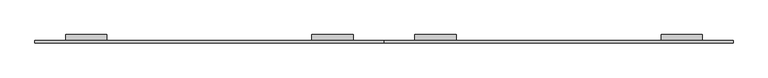
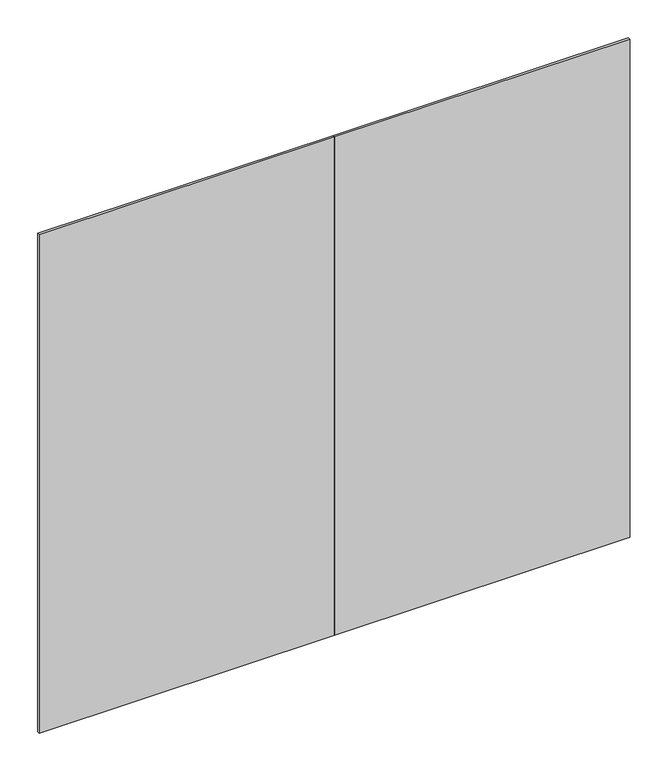
"""IFC4 building model written with IfcOpenShell, lengths in millimetres: furniture geometry."""

from ifc_helpers import new_model, si_unit, frame, origin, place, context, project, spatial, polyline, outline, extrude, source, transform, mapped, element, save


def furniture_23c68902(model_context):
    return source(origin(), model_context, "Body", "SweptSolid", [
        extrude(outline(polyline([(4.7498, 2116.3245525), (24.8177997, 2116.3245525), (24.8177997, 2115.4125443), (5.6618003, 2115.4125443), (5.6618003, 2083.5305513), (24.8177997, 2083.5305513), (24.8177997, 2079.5014665), (5.6618003, 2079.5014665), (5.6618003, 2013.9995483), (4.7498, 2013.9995483), (4.7498, 2116.3245525)])), frame((967.459988, 0.0, 0.0), z_axis=(1.0, 0.0, 0.0), x_axis=(0.0, 1.0, 0.0)), (0.0, 0.0, 1.0), 144.4200002),
        extrude(outline(polyline([(4.7498, 2116.3245525), (24.8177997, 2116.3245525), (24.8177997, 2115.4125443), (5.6618003, 2115.4125443), (5.6618003, 2083.5305513), (24.8177997, 2083.5305513), (24.8177997, 2079.5014665), (5.6618003, 2079.5014665), (5.6618003, 2013.9995483), (4.7498, 2013.9995483), (4.7498, 2116.3245525)])), frame((1326.5200118, 0.0, 0.0), z_axis=(1.0, 0.0, 0.0), x_axis=(0.0, 1.0, 0.0)), (0.0, 0.0, 1.0), 144.4200002),
        extrude(outline(polyline([(4.7498, 2116.3245525), (24.8177997, 2116.3245525), (24.8177997, 2115.4125443), (5.6618003, 2115.4125443), (5.6618003, 2083.5305513), (24.8177997, 2083.5305513), (24.8177997, 2079.5014665), (5.6618003, 2079.5014665), (5.6618003, 2013.9995483), (4.7498, 2013.9995483), (4.7498, 2116.3245525)])), frame((107.0799829, 0.0, 0.0), z_axis=(1.0, 0.0, 0.0), x_axis=(0.0, 1.0, 0.0)), (0.0, 0.0, 1.0), 144.4200002),
        extrude(outline(polyline([(4.7498, 2116.3245525), (24.8177997, 2116.3245525), (24.8177997, 2115.4125443), (5.6618003, 2115.4125443), (5.6618003, 2083.5305513), (24.8177997, 2083.5305513), (24.8177997, 2079.5014665), (5.6618003, 2079.5014665), (5.6618003, 2013.9995483), (4.7498, 2013.9995483), (4.7498, 2116.3245525)])), frame((2186.659988, 0.0, 0.0), z_axis=(1.0, 0.0, 0.0), x_axis=(0.0, 1.0, 0.0)), (0.0, 0.0, 1.0), 144.4200002),
        extrude(outline(polyline([(2438.4, -4.7752), (1219.2, -4.7752), (1219.2, 4.7498), (2438.4, 4.7498), (2438.4, -4.7752)])), frame((0.0, 0.0, 12.7), z_axis=(0.0, 0.0, 1.0), x_axis=(1.0, 0.0, 0.0)), (0.0, 0.0, 1.0), 2173.6010468),
        extrude(outline(polyline([(1219.2, -4.7752), (0.0, -4.7752), (0.0, 4.7498), (1219.2, 4.7498), (1219.2, -4.7752)])), frame((0.0, 0.0, 12.7), z_axis=(0.0, 0.0, 1.0), x_axis=(1.0, 0.0, 0.0)), (0.0, 0.0, 1.0), 2173.6010468),
    ])


if __name__ == "__main__":
    model = new_model("IFC4")
    model_context = context("Model", 3, world=origin())
    ifc_project = project(units=[si_unit("LENGTHUNIT", "METRE", prefix="MILLI")], contexts=[model_context])
    site = spatial("IfcSite", under=ifc_project)
    building = spatial("IfcBuilding", under=site)
    placement = place(None, origin())
    furniture_shape = furniture_23c68902(model_context)
    element("IfcFurniture", 1, at=placement, inside=building, context=model_context, shape_type="MappedRepresentation", body=[
        mapped(furniture_shape, transform((0.0, 0.0, 0.0), x_axis=(1.0, 0.0, 0.0), y_axis=(0.0, 1.0, 0.0), z_axis=(0.0, 0.0, 1.0))),
    ])
    save(model, "model.ifc")
